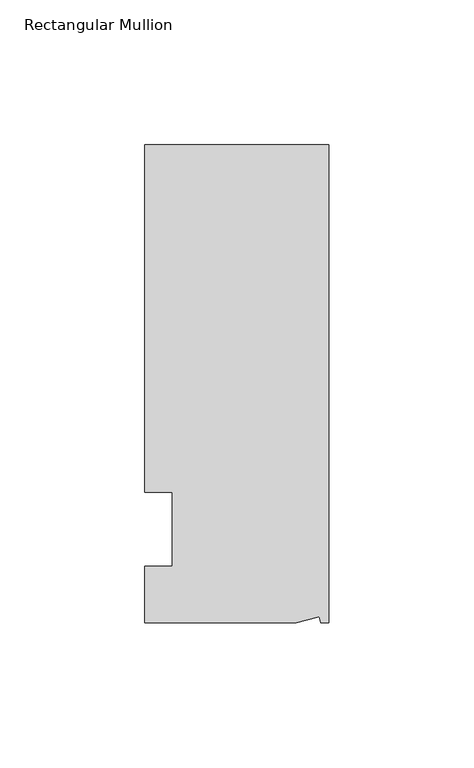
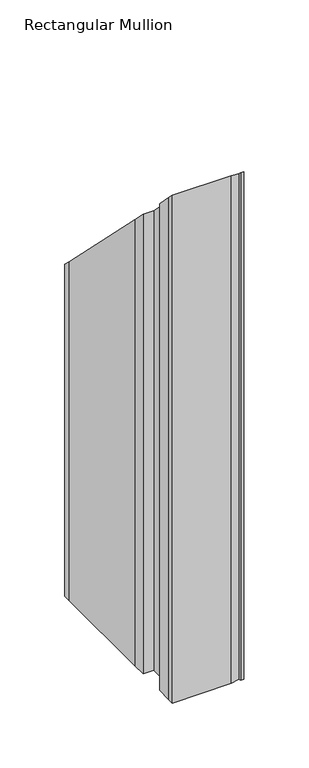
"""IFC4 building model written with IfcOpenShell, lengths in millimetres: member geometry, Rectangular Mullion."""

from ifc_helpers import new_model, si_unit, origin, place, context, project, spatial, faceted_brep, source, transform, mapped, element, save


def rectangular_mullion_0b211ce6(model_context):
    return source(origin(), model_context, "Body", "Brep", [
        faceted_brep([(-3.3457217, -17.5748952, 17.5748952), (-11.1265412, -19.6597595, 19.6597595), (-11.1265412, -19.6597595, -457.2), (-3.3457217, -17.5748952, -457.2), (-2.787084, -19.6597595, 19.6597595), (-2.787084, -19.6597595, -457.2), (0.0, -19.6597595, 19.6597595), (0.0, -19.6597595, -457.2), (0.0, 145.4402405, -145.4402405), (0.0, 145.4402405, -457.2), (-63.5, 145.4402405, -145.4402405), (-63.5, 145.4402405, -457.2), (-63.5, 38.3358837, -38.3358837), (-63.5, 139.0912246, -139.0912246), (-63.5, 139.0912246, -457.2), (-63.5, 38.3358837, -457.2), (-53.975, 25.4, -25.4), (-63.5, 25.4, -25.4), (-63.5, 25.4, -457.2), (-53.975, 25.4, -457.2), (-53.975, 0.0, 0.0), (-53.975, 0.0, -457.2), (-63.5, 0.0, 0.0), (-63.5, 0.0, -457.2), (-63.5, -13.6093403, 13.6093403), (-63.5, -13.6093403, -457.2), (-63.5, -19.6597595, 19.6597595), (-63.5, -19.6597595, -457.2)], [[[0, 1, 2, 3]], [[4, 0, 3, 5]], [[6, 4, 5, 7]], [[8, 6, 7, 9]], [[10, 8, 9, 11]], [[12, 13, 14, 15]], [[16, 17, 18, 19]], [[20, 16, 19, 21]], [[22, 20, 21, 23]], [[24, 22, 23, 25]], [[1, 26, 27, 2]], [[1, 0, 4, 6, 8, 10, 13, 12, 17, 16, 20, 22, 24, 26]], [[2, 27, 25, 23, 21, 19, 18, 15, 14, 11, 9, 7, 5, 3]], [[13, 10, 11, 14]], [[17, 12, 15, 18]], [[26, 24, 25, 27]]]),
    ])


if __name__ == "__main__":
    model = new_model("IFC4")
    model_context = context("Model", 3, world=origin())
    ifc_project = project(units=[si_unit("LENGTHUNIT", "METRE", prefix="MILLI")], contexts=[model_context])
    site = spatial("IfcSite", under=ifc_project)
    building = spatial("IfcBuilding", under=site)
    placement = place(None, origin())
    rectangular_mullion_shape = rectangular_mullion_0b211ce6(model_context)
    element("IfcMember", 1, ObjectType="Rectangular Mullion", at=placement, inside=building, context=model_context, shape_type="MappedRepresentation", body=[
        mapped(rectangular_mullion_shape, transform((0.0, 0.0, 0.0), x_axis=(1.0, 0.0, 0.0), y_axis=(0.0, 1.0, 0.0), z_axis=(0.0, 0.0, 1.0))),
    ])
    save(model, "model.ifc")
